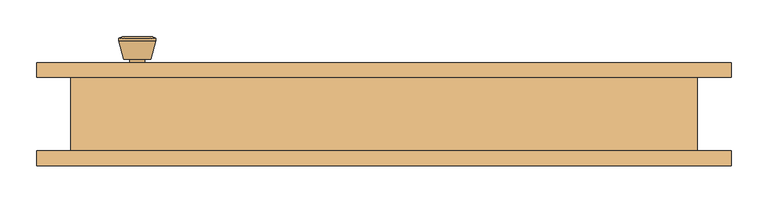
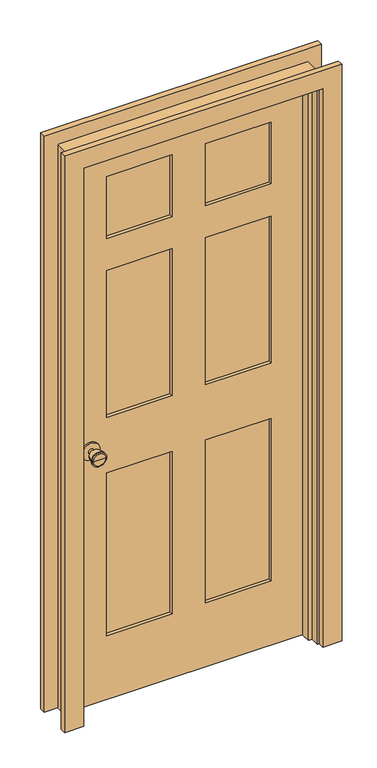
"""IFC4 building model written with IfcOpenShell, lengths in millimetres: door geometry."""

from ifc_helpers import new_model, si_unit, point, frame, frame_2d, origin, place, context, project, spatial, polyline, circle_curve, trimmed, segment, composite_curve, outline, extrude, faceted_brep, source, transform, mapped, element, save
from ifc_brep_helpers import plane_surface, cylinder_surface, revolved_surface, advanced_brep


def door_2770f04e(model_context):
    return source(origin(), model_context, "Body", "SolidModel", [
        advanced_brep(
        [(-335.0, 5.825, 914.4), (-325.0, 5.825, 914.4), (-345.0, 5.825, 914.4), (-314.5241324, -43.175, 914.4), (-335.0, -43.175, 914.4), (-355.4758676, -43.175, 914.4), (-310.0, -41.3471319, 914.4), (-360.0, -41.3471319, 914.4), (-310.0, -37.8834537, 914.4), (-360.0, -37.8834537, 914.4), (-316.363764, -13.175, 914.4), (-353.636236, -13.175, 914.4), (-325.0, -13.175, 914.4), (-345.0, -13.175, 914.4)],
        [
            (0, 1),
            (1, 2, circle_curve(frame((-335.0, 5.825, 914.4), z_axis=(0.0, 1.0, 0.0), x_axis=(-1.0, 0.0, 0.0)), 10.0)),
            (2, 0),
            (2, 1, circle_curve(frame((-335.0, 5.825, 914.4), z_axis=(0.0, 1.0, 0.0), x_axis=(-1.0, 0.0, 0.0)), 10.0)),
            (3, 4),
            (4, 5),
            (5, 3, circle_curve(frame((-335.0, -43.175, 914.4), z_axis=(0.0, -1.0, 0.0), x_axis=(-1.0, 0.0, 0.0)), 20.4758676)),
            (3, 5, circle_curve(frame((-335.0, -43.175, 914.4), z_axis=(0.0, -1.0, 0.0), x_axis=(-1.0, 0.0, 0.0)), 20.4758676)),
            (6, 3),
            (5, 7),
            (7, 6, circle_curve(frame((-335.0, -41.3471319, 914.4), z_axis=(0.0, -1.0, 0.0), x_axis=(-1.0, 0.0, 0.0)), 25.0)),
            (6, 7, circle_curve(frame((-335.0, -41.3471319, 914.4), z_axis=(0.0, -1.0, 0.0), x_axis=(-1.0, 0.0, 0.0)), 25.0)),
            (8, 6),
            (7, 9),
            (9, 8, circle_curve(frame((-335.0, -37.8834537, 914.4), z_axis=(0.0, -1.0, 0.0), x_axis=(-1.0, 0.0, 0.0)), 25.0)),
            (8, 9, circle_curve(frame((-335.0, -37.8834537, 914.4), z_axis=(0.0, -1.0, 0.0), x_axis=(-1.0, 0.0, 0.0)), 25.0)),
            (10, 8),
            (9, 11),
            (11, 10, circle_curve(frame((-335.0, -13.175, 914.4), z_axis=(0.0, -1.0, 0.0), x_axis=(-1.0, 0.0, 0.0)), 18.636236)),
            (10, 11, circle_curve(frame((-335.0, -13.175, 914.4), z_axis=(0.0, -1.0, 0.0), x_axis=(-1.0, 0.0, 0.0)), 18.636236)),
            (12, 10),
            (11, 13),
            (13, 12, circle_curve(frame((-335.0, -13.175, 914.4), z_axis=(0.0, -1.0, 0.0), x_axis=(-1.0, 0.0, 0.0)), 10.0)),
            (12, 13, circle_curve(frame((-335.0, -13.175, 914.4), z_axis=(0.0, -1.0, 0.0), x_axis=(-1.0, 0.0, 0.0)), 10.0)),
            (1, 12),
            (13, 2),
        ],
        [
            plane_surface(frame((-335.0, 5.825, 914.4), z_axis=(0.0, 1.0, 0.0), x_axis=(-1.0, 0.0, 0.0))),
            plane_surface(frame((-335.0, -43.175, 914.4), z_axis=(0.0, -1.0, 0.0), x_axis=(-1.0, 0.0, 0.0))),
            revolved_surface(polyline([(-355.4758676, -43.175, 914.4), (-360.0, -41.3471319, 914.4)]), (-335.0, 5.825, 914.4), (0.0, 1.0, 0.0)),
            cylinder_surface(frame((-335.0, 5.825, 914.4), z_axis=(0.0, 1.0, 0.0), x_axis=(-1.0, 0.0, 0.0)), 25.0),
            revolved_surface(polyline([(-360.0, -37.8834537, 914.4), (-353.636236, -13.175, 914.4)]), (-335.0, 5.825, 914.4), (0.0, 1.0, 0.0)),
            plane_surface(frame((-335.0, -13.175, 914.4), z_axis=(0.0, 1.0, 0.0), x_axis=(-1.0, 0.0, 0.0))),
            cylinder_surface(frame((-335.0, 5.825, 914.4), z_axis=(0.0, 1.0, 0.0), x_axis=(-1.0, 0.0, 0.0)), 10.0),
        ],
        [
            (0, [[1, 2, 3]]),
            (0, [[-3, 4, -1]]),
            (1, [[5, 6, 7]]),
            (1, [[-6, -5, 8]]),
            (2, [[9, -7, 10, 11]]),
            (2, [[-10, -8, -9, 12]]),
            (3, [[13, -11, 14, 15]]),
            (3, [[-14, -12, -13, 16]]),
            (4, [[17, -15, 18, 19]]),
            (4, [[-18, -16, -17, 20]]),
            (5, [[21, -19, 22, 23]]),
            (5, [[-22, -20, -21, 24]]),
            (6, [[25, -23, 26, -2]]),
            (6, [[-26, -24, -25, -4]]),
        ],
    ),
        extrude(outline(composite_curve([segment(trimmed(circle_curve(frame_2d((914.4, -335.0)), 30.0), [point((914.4, -365.0))], [point((914.4, -305.0))], False, "CARTESIAN"), True, "CONTINUOUS"), segment(trimmed(circle_curve(frame_2d((914.4, -335.0)), 30.0), [point((914.4, -305.0))], [point((914.4, -365.0))], False, "CARTESIAN"), True, "CONTINUOUS")], self_intersect=False)), frame((0.0, 5.825, 0.0), z_axis=(0.0, 1.0, 0.0), x_axis=(0.0, 0.0, 1.0)), (0.0, 0.0, 1.0), 6.0),
        advanced_brep(
        [(-335.0, 52.825, 914.4), (-345.0, 52.825, 914.4), (-325.0, 52.825, 914.4), (-314.5241324, 101.825, 914.4), (-355.4758676, 101.825, 914.4), (-335.0, 101.825, 914.4), (-310.0, 99.9971319, 914.4), (-360.0, 99.9971319, 914.4), (-310.0, 96.5334537, 914.4), (-360.0, 96.5334537, 914.4), (-316.363764, 71.825, 914.4), (-353.636236, 71.825, 914.4), (-325.0, 71.825, 914.4), (-345.0, 71.825, 914.4)],
        [
            (0, 1),
            (1, 2, circle_curve(frame((-335.0, 52.825, 914.4), z_axis=(0.0, -1.0, 0.0), x_axis=(-1.0, 0.0, 0.0)), 10.0)),
            (2, 0),
            (2, 1, circle_curve(frame((-335.0, 52.825, 914.4), z_axis=(0.0, -1.0, 0.0), x_axis=(-1.0, 0.0, 0.0)), 10.0)),
            (3, 4, circle_curve(frame((-335.0, 101.825, 914.4), z_axis=(0.0, 1.0, 0.0), x_axis=(-1.0, 0.0, 0.0)), 20.4758676)),
            (4, 5),
            (5, 3),
            (4, 3, circle_curve(frame((-335.0, 101.825, 914.4), z_axis=(0.0, 1.0, 0.0), x_axis=(-1.0, 0.0, 0.0)), 20.4758676)),
            (6, 7, circle_curve(frame((-335.0, 99.9971319, 914.4), z_axis=(0.0, 1.0, 0.0), x_axis=(-1.0, 0.0, 0.0)), 25.0)),
            (7, 4),
            (3, 6),
            (7, 6, circle_curve(frame((-335.0, 99.9971319, 914.4), z_axis=(0.0, 1.0, 0.0), x_axis=(-1.0, 0.0, 0.0)), 25.0)),
            (8, 9, circle_curve(frame((-335.0, 96.5334537, 914.4), z_axis=(0.0, 1.0, 0.0), x_axis=(-1.0, 0.0, 0.0)), 25.0)),
            (9, 7),
            (6, 8),
            (9, 8, circle_curve(frame((-335.0, 96.5334537, 914.4), z_axis=(0.0, 1.0, 0.0), x_axis=(-1.0, 0.0, 0.0)), 25.0)),
            (10, 11, circle_curve(frame((-335.0, 71.825, 914.4), z_axis=(0.0, 1.0, 0.0), x_axis=(-1.0, 0.0, 0.0)), 18.636236)),
            (11, 9),
            (8, 10),
            (11, 10, circle_curve(frame((-335.0, 71.825, 914.4), z_axis=(0.0, 1.0, 0.0), x_axis=(-1.0, 0.0, 0.0)), 18.636236)),
            (12, 13, circle_curve(frame((-335.0, 71.825, 914.4), z_axis=(0.0, 1.0, 0.0), x_axis=(-1.0, 0.0, 0.0)), 10.0)),
            (13, 11),
            (10, 12),
            (13, 12, circle_curve(frame((-335.0, 71.825, 914.4), z_axis=(0.0, 1.0, 0.0), x_axis=(-1.0, 0.0, 0.0)), 10.0)),
            (1, 13),
            (12, 2),
        ],
        [
            plane_surface(frame((-335.0, 52.825, 914.4), z_axis=(0.0, -1.0, 0.0), x_axis=(-1.0, 0.0, 0.0))),
            plane_surface(frame((-335.0, 101.825, 914.4), z_axis=(0.0, 1.0, 0.0), x_axis=(-1.0, 0.0, 0.0))),
            revolved_surface(polyline([(-355.4758676, 101.825, 914.4), (-360.0, 99.9971319, 914.4)]), (-335.0, 52.825, 914.4), (0.0, -1.0, 0.0)),
            cylinder_surface(frame((-335.0, 52.825, 914.4), z_axis=(0.0, -1.0, 0.0), x_axis=(-1.0, 0.0, 0.0)), 25.0),
            revolved_surface(polyline([(-360.0, 96.5334537, 914.4), (-353.636236, 71.825, 914.4)]), (-335.0, 52.825, 914.4), (0.0, -1.0, 0.0)),
            plane_surface(frame((-335.0, 71.825, 914.4), z_axis=(0.0, -1.0, 0.0), x_axis=(-1.0, 0.0, 0.0))),
            cylinder_surface(frame((-335.0, 52.825, 914.4), z_axis=(0.0, -1.0, 0.0), x_axis=(-1.0, 0.0, 0.0)), 10.0),
        ],
        [
            (0, [[1, 2, 3]]),
            (0, [[-3, 4, -1]]),
            (1, [[5, 6, 7]]),
            (1, [[8, -7, -6]]),
            (2, [[9, 10, -5, 11]]),
            (2, [[12, -11, -8, -10]]),
            (3, [[13, 14, -9, 15]]),
            (3, [[16, -15, -12, -14]]),
            (4, [[17, 18, -13, 19]]),
            (4, [[20, -19, -16, -18]]),
            (5, [[21, 22, -17, 23]]),
            (5, [[24, -23, -20, -22]]),
            (6, [[-2, 25, -21, 26]]),
            (6, [[-4, -26, -24, -25]]),
        ],
    ),
        extrude(outline(composite_curve([segment(trimmed(circle_curve(frame_2d((914.4, -335.0)), 30.0), [point((914.4, -365.0))], [point((914.4, -305.0))], False, "CARTESIAN"), True, "CONTINUOUS"), segment(trimmed(circle_curve(frame_2d((914.4, -335.0)), 30.0), [point((914.4, -305.0))], [point((914.4, -365.0))], False, "CARTESIAN"), True, "CONTINUOUS")], self_intersect=False)), frame((0.0, 46.825, 0.0), z_axis=(0.0, 1.0, 0.0), x_axis=(0.0, 0.0, 1.0)), (0.0, 0.0, 1.0), 6.0),
        extrude(outline(polyline([(280.0, 23.4916667), (57.5, 23.4916667), (57.5, 35.1583333), (280.0, 35.1583333), (280.0, 23.4916667)])), frame((0.0, 0.0, 1657.5), z_axis=(0.0, 0.0, 1.0), x_axis=(1.0, 0.0, 0.0)), (0.0, 0.0, 1.0), 222.5),
        extrude(outline(polyline([(280.0, 23.4916667), (57.5, 23.4916667), (57.5, 35.1583333), (280.0, 35.1583333), (280.0, 23.4916667)])), frame((0.0, 0.0, 1014.4), z_axis=(0.0, 0.0, 1.0), x_axis=(1.0, 0.0, 0.0)), (0.0, 0.0, 1.0), 528.1),
        extrude(outline(polyline([(-57.5, 23.4916667), (-280.0, 23.4916667), (-280.0, 35.1583333), (-57.5, 35.1583333), (-57.5, 23.4916667)])), frame((0.0, 0.0, 1014.4), z_axis=(0.0, 0.0, 1.0), x_axis=(1.0, 0.0, 0.0)), (0.0, 0.0, 1.0), 528.1),
        extrude(outline(polyline([(-57.5, 23.4916667), (-280.0, 23.4916667), (-280.0, 35.1583333), (-57.5, 35.1583333), (-57.5, 23.4916667)])), frame((0.0, 0.0, 1657.5), z_axis=(0.0, 0.0, 1.0), x_axis=(1.0, 0.0, 0.0)), (0.0, 0.0, 1.0), 222.5),
        extrude(outline(polyline([(280.0, 23.4916667), (57.5, 23.4916667), (57.5, 35.1583333), (280.0, 35.1583333), (280.0, 23.4916667)])), frame((0.0, 0.0, 230.0), z_axis=(0.0, 0.0, 1.0), x_axis=(1.0, 0.0, 0.0)), (0.0, 0.0, 1.0), 584.4),
        extrude(outline(polyline([(-57.5, 23.4916667), (-280.0, 23.4916667), (-280.0, 35.1583333), (-57.5, 35.1583333), (-57.5, 23.4916667)])), frame((0.0, 0.0, 230.0), z_axis=(0.0, 0.0, 1.0), x_axis=(1.0, 0.0, 0.0)), (0.0, 0.0, 1.0), 584.4),
        extrude(outline(polyline([(2000.0, -400.0), (0.0, -400.0), (0.0, 400.0), (2000.0, 400.0), (2000.0, -400.0)]), holes=[polyline([(1880.0, 57.5), (1880.0, 280.0), (1657.5, 280.0), (1657.5, 57.5), (1880.0, 57.5)]), polyline([(1542.5, 280.0), (1014.4, 280.0), (1014.4, 57.5), (1542.5, 57.5), (1542.5, 280.0)]), polyline([(1014.4, -57.5), (1014.4, -280.0), (1542.5, -280.0), (1542.5, -57.5), (1014.4, -57.5)]), polyline([(1657.5, -280.0), (1880.0, -280.0), (1880.0, -57.5), (1657.5, -57.5), (1657.5, -280.0)]), polyline([(814.4, 57.5), (814.4, 280.0), (230.0, 280.0), (230.0, 57.5), (814.4, 57.5)]), polyline([(230.0, -57.5), (230.0, -280.0), (814.4, -280.0), (814.4, -57.5), (230.0, -57.5)])]), frame((0.0, 11.825, 0.0), z_axis=(0.0, 1.0, 0.0), x_axis=(0.0, 0.0, 1.0)), (0.0, 0.0, 1.0), 35.0),
        faceted_brep([(425.0, 46.825, 0.0), (425.0, -53.175, 0.0), (400.0, -53.175, 0.0), (400.0, -23.1, 0.0), (387.3, -23.1, 0.0), (387.3, 11.825, 0.0), (400.0, 11.825, 0.0), (400.0, 46.825, 0.0), (425.0, 46.825, 2025.0), (425.0, -53.175, 2025.0), (-425.0, -53.175, 2025.0), (-425.0, -53.175, 0.0), (-400.0, -53.175, 0.0), (-400.0, -53.175, 2000.0), (400.0, -53.175, 2000.0), (400.0, -23.1, 2000.0), (-400.0, -23.1, 2000.0), (-400.0, -23.1, 0.0), (-387.3, -23.1, 0.0), (-387.3, -23.1, 1987.3), (387.3, -23.1, 1987.3), (387.3, 11.825, 1987.3), (-387.3, 11.825, 1987.3), (-387.3, 11.825, 0.0), (-400.0, 11.825, 0.0), (-400.0, 11.825, 2000.0), (400.0, 11.825, 2000.0), (400.0, 46.825, 2000.0), (-400.0, 46.825, 2000.0), (-400.0, 46.825, 0.0), (-425.0, 46.825, 0.0), (-425.0, 46.825, 2025.0)], [[[0, 1, 2, 3, 4, 5, 6, 7]], [[1, 0, 8, 9]], [[2, 1, 9, 10, 11, 12, 13, 14]], [[3, 2, 14, 15]], [[4, 3, 15, 16, 17, 18, 19, 20]], [[5, 4, 20, 21]], [[6, 5, 21, 22, 23, 24, 25, 26]], [[7, 6, 26, 27]], [[0, 7, 27, 28, 29, 30, 31, 8]], [[9, 8, 31, 10]], [[15, 14, 13, 16]], [[21, 20, 19, 22]], [[27, 26, 25, 28]], [[30, 29, 24, 23, 18, 17, 12, 11]], [[10, 31, 30, 11]], [[16, 13, 12, 17]], [[22, 19, 18, 23]], [[28, 25, 24, 29]]]),
        extrude(outline(polyline([(0.0, 406.35), (0.0, 471.35), (2071.35, 471.35), (2071.35, -471.35), (0.0, -471.35), (0.0, -406.35), (2006.35, -406.35), (2006.35, 406.35), (0.0, 406.35)])), frame((0.0, -73.175, 0.0), z_axis=(0.0, 1.0, 0.0), x_axis=(0.0, 0.0, 1.0)), (0.0, 0.0, 1.0), 20.0),
        extrude(outline(polyline([(0.0, 406.35), (0.0, 471.35), (2071.35, 471.35), (2071.35, -471.35), (0.0, -471.35), (0.0, -406.35), (2006.35, -406.35), (2006.35, 406.35), (0.0, 406.35)])), frame((0.0, 46.825, 0.0), z_axis=(0.0, 1.0, 0.0), x_axis=(0.0, 0.0, 1.0)), (0.0, 0.0, 1.0), 20.0),
    ])


if __name__ == "__main__":
    model = new_model("IFC4")
    model_context = context("Model", 3, world=origin())
    ifc_project = project(units=[si_unit("LENGTHUNIT", "METRE", prefix="MILLI")], contexts=[model_context])
    site = spatial("IfcSite", under=ifc_project)
    building = spatial("IfcBuilding", under=site)
    placement = place(None, origin())
    door_shape = door_2770f04e(model_context)
    element("IfcDoor", 1, at=placement, inside=building, context=model_context, shape_type="MappedRepresentation", body=[
        mapped(door_shape, transform((0.0, 0.0, 0.0), x_axis=(1.0, 0.0, 0.0), y_axis=(0.0, 1.0, 0.0), z_axis=(0.0, 0.0, 1.0))),
    ])
    save(model, "model.ifc")
